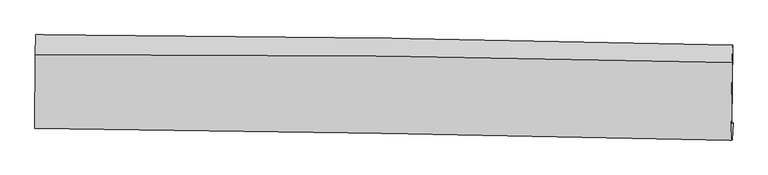
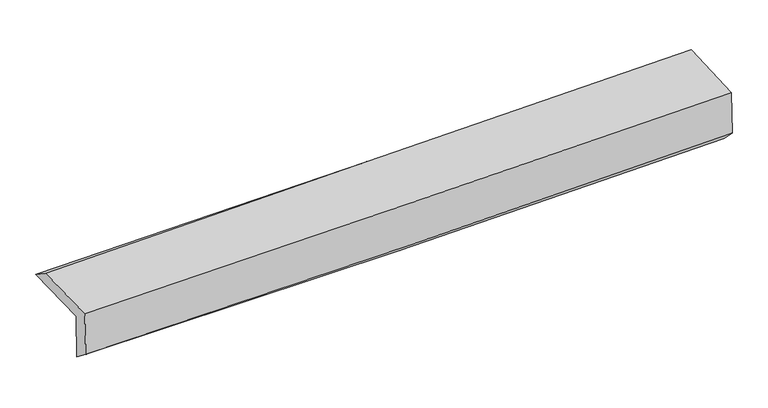
"""IFC4 building model written with IfcOpenShell, lengths in millimetres: proxy geometry."""

from ifc_helpers import new_model, si_unit, frame, origin, place, context, project, spatial, source, transform, mapped, element, save
from ifc_brep_helpers import plane_surface, spline_curve, spline_surface, advanced_brep


def generic_models_b696fba4(model_context):
    return source(origin(), model_context, "Body", "AdvancedBrep", [
        advanced_brep(
        [(-2991.421088, -1755.1233249, 1978.7157469), (-2986.1507442, -1094.7503901, 1986.1804232), (2977.8370939, -1181.6166861, 2115.5491506), (2968.7120021, -1854.4077981, 2107.8460936), (-2980.5209456, -1745.3812354, 1570.924133), (2979.7084748, -1849.6683274, 1694.8623913), (-2984.7946038, -1895.2535444, 1685.2244578), (2973.8450454, -1997.2301363, 1839.0878648), (-2995.4778081, -1896.9217292, 2087.3594758), (2963.0453671, -1998.9192928, 2246.2343354), (-2990.5537722, -1262.8195171, 2099.6774152), (2971.9157247, -1334.8324506, 2259.0016738)],
        [
            (0, 1),
            (1, 2, spline_curve(3, [(-2986.1507442, -1094.7503901, 1986.1804232), (-1991.428493682, -1099.116645834, 1989.123693953), (-996.951747031, -1108.541518887, 2001.38077386), (991.043968434, -1137.501699437, 2044.512426488), (1984.563167906, -1157.032258639, 2075.378255189), (2977.8370939, -1181.6166861, 2115.5491506)], [4, 2, 4], [0.0, 9.786613224419558, 19.568631852169958])),
            (2, 3),
            (3, 0, spline_curve(3, [(2968.7120021, -1854.4077981, 2107.8460936), (1976.197099777, -1828.618133994, 2067.709091906), (983.378579411, -1807.450452914, 2036.880069327), (-1003.332165105, -1774.351285601, 1993.827874477), (-1997.224674821, -1762.42414228, 1981.613448246), (-2991.421088, -1755.1233249, 1978.7157469)], [4, 2, 4], [0.0, 9.7820186277504, 19.568631852169958])),
            (4, 0),
            (3, 5),
            (5, 4, spline_curve(3, [(2979.7084748, -1849.6683274, 1694.8623913), (1987.302272847, -1824.671910995, 1650.380837533), (994.530091722, -1803.484257822, 1617.811500044), (-992.212704341, -1768.718314944, 1576.487554143), (-1986.183663298, -1755.143604342, 1567.744139156), (-2980.5209456, -1745.3812354, 1570.924133)], [4, 2, 4], [0.0, 9.779278625962107, 19.563150561619427])),
            (6, 4),
            (5, 7),
            (7, 6, spline_curve(3, [(2973.8450454, -1997.2301363, 1839.0878648), (1981.428896925, -1975.284300055, 1799.762179123), (988.784160281, -1955.81474649, 1767.278789184), (-997.428841507, -1921.8202224, 1715.98455784), (-1990.997320853, -1907.29757867, 1697.180145179), (-2984.7946038, -1895.2535444, 1685.2244578)], [4, 2, 4], [0.0, 9.778357613407765, 19.561308103912793])),
            (8, 6),
            (7, 9),
            (9, 8, spline_curve(3, [(2963.0453671, -1998.9192928, 2246.2343354), (1970.515402287, -1976.990682349, 2211.071481338), (977.823445513, -1957.527996492, 2180.252571112), (-1008.350794238, -1923.52649176, 2127.290202643), (-2001.833229043, -1908.989989352, 2105.150826577), (-2995.4778081, -1896.9217292, 2087.3594758)], [4, 2, 4], [0.0, 9.777260712936712, 19.5591137877585])),
            (10, 8),
            (9, 11),
            (11, 10, spline_curve(3, [(2971.9157247, -1334.8324506, 2259.0016738), (1978.694026326, -1307.904771508, 2223.877721512), (985.327416015, -1288.439510692, 2193.040834249), (-1002.162280402, -1264.428187794, 2139.928719747), (-1996.28550202, -1259.889137353, 2117.657520799), (-2990.5537722, -1262.8195171, 2099.6774152)], [4, 2, 4], [0.0, 9.780157667765897, 19.564909058111372])),
            (1, 10),
            (11, 2),
        ],
        [
            spline_surface(3, 3, [[(-2991.421088, -1755.1233249, 1978.7157469), (-1997.224674873, -1762.424142221, 1981.613448114), (-1003.332165217, -1774.351285605, 1993.82787449), (983.378579523, -1807.45045291, 2036.880069314), (1976.197099917, -1828.618133904, 2067.709091862), (2968.7120021, -1854.4077981, 2107.8460936)], [(-2989.664306734, -1534.999013299, 1981.203972326), (-1995.29261445, -1541.321643434, 1984.116863353), (-1001.20535917, -1552.414696691, 1996.345507651), (985.933709187, -1584.134201798, 2039.424188318), (1978.985789298, -1604.756175451, 2070.265479699), (2971.753699393, -1630.144094097, 2110.413779291)], [(-2987.907525466, -1314.874701701, 1983.692197774), (-1993.360554024, -1320.219144649, 1986.620278616), (-999.07855314, -1330.478107721, 1998.863140837), (988.488838832, -1360.81795063, 2041.968307347), (1981.774478602, -1380.894217007, 2072.821867462), (2974.795396607, -1405.880390103, 2112.981464909)], [(-2986.1507442, -1094.7503901, 1986.1804232), (-1991.428493601, -1099.116645862, 1989.123693854), (-996.951747093, -1108.541518807, 2001.380773998), (991.043968496, -1137.501699517, 2044.512426351), (1984.563167983, -1157.032258554, 2075.378255299), (2977.8370939, -1181.6166861, 2115.5491506)]], [4, 4], [4, 2, 4], [0.0, 2.191464440015124], [0.0, 9.786613224419558, 19.568631852169958]),
            spline_surface(3, 3, [[(-2980.5209456, -1745.3812354, 1570.924133), (-1986.183663448, -1755.143604192, 1567.744139107), (-992.212704422, -1768.718314992, 1576.487554246), (994.530091802, -1803.484257775, 1617.811499941), (1987.302272967, -1824.671910966, 1650.380837554), (2979.7084748, -1849.6683274, 1694.8623913)], [(-2984.154326424, -1748.628598583, 1706.854670972), (-1989.864000614, -1757.570450217, 1705.700575448), (-995.919191342, -1770.59597187, 1715.600994348), (990.812921054, -1804.806322827, 1757.501023086), (1983.600548614, -1825.987318636, 1789.490255644), (2976.042983897, -1851.24815099, 1832.523625387)], [(-2987.787707176, -1751.875961717, 1842.785208928), (-1993.544337707, -1759.997296195, 1843.657011773), (-999.625678297, -1772.473628726, 1854.714434388), (987.095750271, -1806.128387857, 1897.190546169), (1979.89882427, -1827.302726235, 1928.599673772), (2972.377493003, -1852.82797451, 1970.184859513)], [(-2991.421088, -1755.1233249, 1978.7157469), (-1997.224674873, -1762.424142221, 1981.613448114), (-1003.332165217, -1774.351285605, 1993.82787449), (983.378579523, -1807.45045291, 2036.880069314), (1976.197099917, -1828.618133904, 2067.709091862), (2968.7120021, -1854.4077981, 2107.8460936)]], [4, 4], [4, 2, 4], [0.0, 1.3726371373304134], [0.0, 9.78387193565732, 19.563150561619427]),
            spline_surface(3, 3, [[(-2984.7946038, -1895.2535444, 1685.2244578), (-1990.997320973, -1907.297578793, 1697.180145299), (-997.428841428, -1921.820222409, 1715.984557777), (988.784160201, -1955.814746482, 1767.278789247), (1981.428897027, -1975.284300135, 1799.762179105), (2973.8450454, -1997.2301363, 1839.0878648)], [(-2983.37005104, -1845.296108059, 1647.124349532), (-1989.392768438, -1856.579587252, 1654.034809901), (-995.690129091, -1870.786253254, 1669.485556585), (990.699470737, -1905.037916896, 1717.456359463), (1983.386688989, -1925.080170394, 1749.968398596), (2975.799521849, -1948.042866648, 1791.012706975)], [(-2981.94549836, -1795.338671741, 1609.024241268), (-1987.788215983, -1805.861595733, 1610.889474505), (-993.951416759, -1819.752284147, 1622.986555438), (992.614781267, -1854.26108736, 1667.633929724), (1985.344481004, -1874.876040708, 1700.174618063), (2977.753998351, -1898.855597052, 1742.937549125)], [(-2980.5209456, -1745.3812354, 1570.924133), (-1986.183663448, -1755.143604192, 1567.744139107), (-992.212704422, -1768.718314992, 1576.487554246), (994.530091802, -1803.484257775, 1617.811499941), (1987.302272967, -1824.671910966, 1650.380837554), (2979.7084748, -1849.6683274, 1694.8623913)]], [4, 4], [4, 2, 4], [0.0, 0.6899657527821865], [0.0, 9.782950490505028, 19.561308103912793]),
            spline_surface(3, 3, [[(-2995.4778081, -1896.9217292, 2087.3594758), (-2001.833228982, -1908.989989514, 2105.150826518), (-1008.350794127, -1923.526491682, 2127.290202795), (977.823445401, -1957.52799657, 2180.25257096), (1970.515402269, -1976.990682276, 2211.071481241), (2963.0453671, -1998.9192928, 2246.2343354)], [(-2991.916739994, -1896.3656676, 1953.314469784), (-1998.22125964, -1908.425852607, 1969.160599429), (-1004.710143233, -1922.95773525, 1990.188321139), (981.477016996, -1956.9569132, 2042.594643739), (1974.15323387, -1976.421888247, 2073.968380523), (2966.645259882, -1998.356240651, 2110.518845194)], [(-2988.355671906, -1895.809606, 1819.269463816), (-1994.609290315, -1907.8617157, 1833.170372389), (-1001.069492322, -1922.388978841, 1853.086439434), (985.130588607, -1956.385829852, 1904.936716468), (1977.791065425, -1975.853094164, 1936.865279823), (2970.245152618, -1997.793188449, 1974.803355006)], [(-2984.7946038, -1895.2535444, 1685.2244578), (-1990.997320973, -1907.297578793, 1697.180145299), (-997.428841428, -1921.820222409, 1715.984557777), (988.784160201, -1955.814746482, 1767.278789247), (1981.428897027, -1975.284300135, 1799.762179105), (2973.8450454, -1997.2301363, 1839.0878648)]], [4, 4], [4, 2, 4], [0.0, 1.3526511614263992], [0.0, 9.781853074821786, 19.5591137877585]),
            spline_surface(3, 3, [[(-2990.5537722, -1262.8195171, 2099.6774152), (-1996.285502022, -1259.889137438, 2117.657520783), (-1002.162280261, -1264.428187763, 2139.928719803), (985.327415874, -1288.439510724, 2193.040834193), (1978.694026419, -1307.904771608, 2223.877721392), (2971.9157247, -1334.8324506, 2259.0016738)], [(-2992.195117505, -1474.186921113, 2095.571435394), (-1998.134744347, -1476.25608811, 2113.488622689), (-1004.225118217, -1484.127622394, 2135.715880783), (982.826092382, -1511.469005998, 2188.778079765), (1975.967818373, -1530.933408495, 2219.608974666), (2968.958938838, -1556.194731331, 2254.745894325)], [(-2993.836462795, -1685.554325187, 2091.465455606), (-1999.983986658, -1692.623038842, 2109.319724612), (-1006.28795617, -1703.82705705, 2131.503041815), (980.324768893, -1734.498501296, 2184.515325389), (1973.241610315, -1753.962045389, 2215.340227966), (2966.002152962, -1777.557012069, 2250.490114875)], [(-2995.4778081, -1896.9217292, 2087.3594758), (-2001.833228982, -1908.989989514, 2105.150826518), (-1008.350794127, -1923.526491682, 2127.290202795), (977.823445401, -1957.52799657, 2180.25257096), (1970.515402269, -1976.990682276, 2211.071481241), (2963.0453671, -1998.9192928, 2246.2343354)]], [4, 4], [4, 2, 4], [0.0, 2.179291366380283], [0.0, 9.784751390345475, 19.564909058111372]),
            spline_surface(3, 3, [[(-2986.1507442, -1094.7503901, 1986.1804232), (-1991.428493601, -1099.116645862, 1989.123693854), (-996.951747093, -1108.541518807, 2001.380773998), (991.043968496, -1137.501699517, 2044.512426351), (1984.563167983, -1157.032258554, 2075.378255299), (2977.8370939, -1181.6166861, 2115.5491506)], [(-2987.618420203, -1150.773432446, 2024.012753892), (-1993.047496411, -1152.707476399, 2031.968302856), (-998.688591495, -1160.503741798, 2047.563422603), (989.138450942, -1187.814303259, 2094.021895635), (1982.606787437, -1207.323096221, 2124.878077325), (2975.863304142, -1232.688607582, 2163.366658328)], [(-2989.086096197, -1206.796474754, 2061.845084508), (-1994.666499213, -1206.2983069, 2074.812911781), (-1000.425435859, -1212.465964772, 2093.746071198), (987.232933427, -1238.126906982, 2143.531364909), (1980.650406965, -1257.613933941, 2174.377899366), (2973.889514458, -1283.760529118, 2211.184166072)], [(-2990.5537722, -1262.8195171, 2099.6774152), (-1996.285502022, -1259.889137438, 2117.657520783), (-1002.162280261, -1264.428187763, 2139.928719803), (985.327415874, -1288.439510724, 2193.040834193), (1978.694026419, -1307.904771608, 2223.877721392), (2971.9157247, -1334.8324506, 2259.0016738)]], [4, 4], [4, 2, 4], [0.0, 0.6895077964932785], [0.0, 9.788651749735756, 19.572707945760175]),
            plane_surface(frame((2972.510618, -1702.7791152, 2043.7635849), z_axis=(0.9995538933796014, -0.01385989303898895, 0.026455955749666797), x_axis=(0.02651573575115101, 0.004147274069199507, -0.9996397930631664))),
            plane_surface(frame((-2988.1531603, -1608.3749568, 1901.346942), z_axis=(-0.9996139682522563, 0.008277572094836736, -0.026521619015289356), x_axis=(-0.007980095851339195, -0.9999042795464161, -0.011302646370038449))),
        ],
        [
            (0, [[1, 2, 3, 4]]),
            (1, [[5, -4, 6, 7]]),
            (2, [[8, -7, 9, 10]]),
            (3, [[11, -10, 12, 13]]),
            (4, [[14, -13, 15, 16]]),
            (5, [[17, -16, 18, -2]]),
            (6, [[-12, -9, -6, -3, -18, -15]]),
            (7, [[-1, -5, -8, -11, -14, -17]]),
        ],
    ),
    ])


if __name__ == "__main__":
    model = new_model("IFC4")
    model_context = context("Model", 3, world=origin())
    ifc_project = project(units=[si_unit("LENGTHUNIT", "METRE", prefix="MILLI")], contexts=[model_context])
    site = spatial("IfcSite", under=ifc_project)
    building = spatial("IfcBuilding", under=site)
    placement = place(None, origin())
    generic_models_shape = generic_models_b696fba4(model_context)
    element("IfcBuildingElementProxy", 1, Name="Generic Models", at=placement, inside=building, context=model_context, shape_type="MappedRepresentation", body=[
        mapped(generic_models_shape, transform((0.0, 0.0, 0.0), x_axis=(1.0, 0.0, 0.0), y_axis=(0.0, 1.0, 0.0), z_axis=(0.0, 0.0, 1.0))),
    ])
    save(model, "model.ifc")
